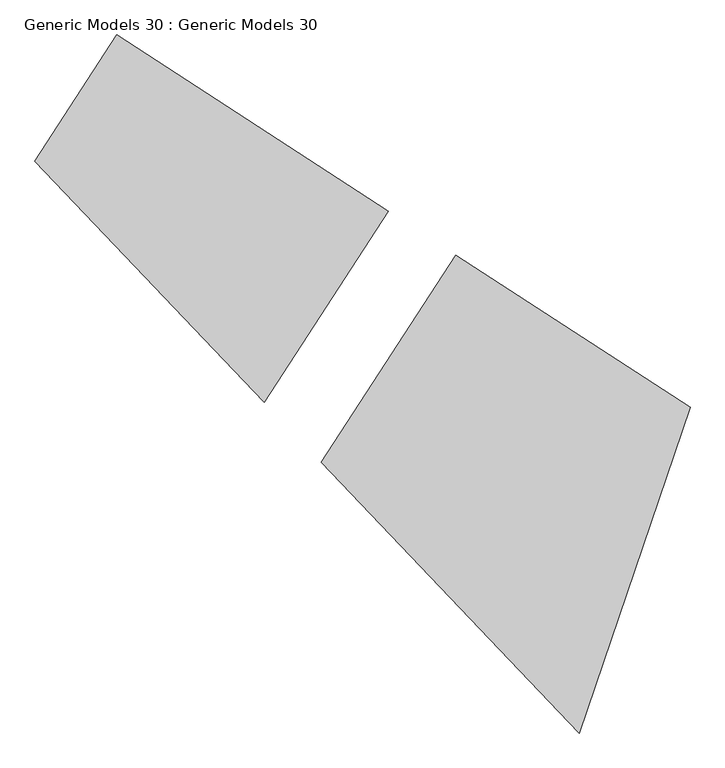
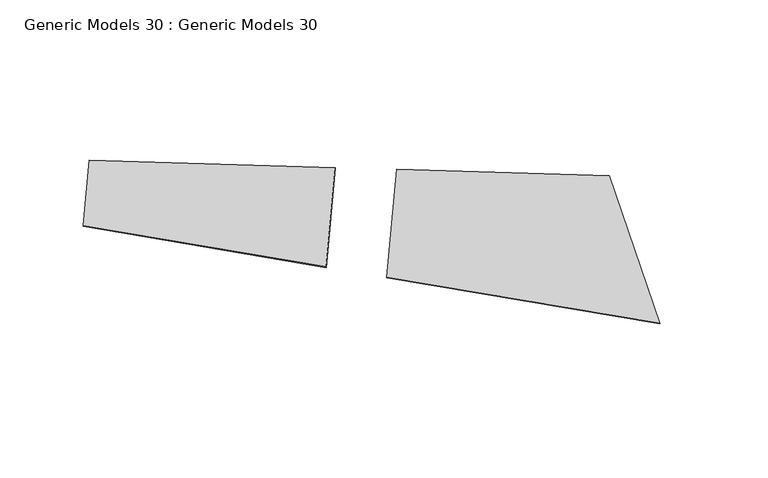
"""IFC4 building model written with IfcOpenShell, lengths in millimetres: proxy geometry, Generic Models 30 : Generic Models 30."""

from ifc_helpers import new_model, si_unit, frame, origin, place, context, project, spatial, polyline, outline, extrude, source, transform, mapped, element, save


def generic_models_30_generic_models_30_8e2f2d31(model_context):
    return source(origin(), model_context, "Body", "SweptSolid", [
        extrude(outline(polyline([(-225743.8938042, 51423.7051654), (-221656.6357187, 57711.4897952), (-208138.9512258, 48924.5690445), (-214316.0655425, 39415.8725423), (-225743.8938042, 51423.7051654)])), frame((0.0, 0.0, 4680.0), z_axis=(0.0, 0.0, 1.0), x_axis=(1.0, 0.0, 0.0)), (0.0, 0.0, 1.0), 50.0),
        extrude(outline(polyline([(-204785.2249014, 46744.5412855), (-193124.3409081, 39164.5993519), (-198642.2383663, 22946.5409261), (-211481.2050324, 36437.1324234), (-204785.2249014, 46744.5412855)])), frame((0.0, 0.0, 4680.0), z_axis=(0.0, 0.0, 1.0), x_axis=(1.0, 0.0, 0.0)), (0.0, 0.0, 1.0), 50.0),
    ])


if __name__ == "__main__":
    model = new_model("IFC4")
    model_context = context("Model", 3, world=origin())
    ifc_project = project(units=[si_unit("LENGTHUNIT", "METRE", prefix="MILLI")], contexts=[model_context])
    site = spatial("IfcSite", under=ifc_project)
    building = spatial("IfcBuilding", under=site)
    placement = place(None, origin())
    generic_models_30_generic_models_30_shape = generic_models_30_generic_models_30_8e2f2d31(model_context)
    element("IfcBuildingElementProxy", 1, Name="Generic Models 30 : Generic Models 30", ObjectType="Generic Models 30 : Generic Models 30", at=placement, inside=building, context=model_context, shape_type="MappedRepresentation", body=[
        mapped(generic_models_30_generic_models_30_shape, transform((0.0, 0.0, 0.0), x_axis=(1.0, 0.0, 0.0), y_axis=(0.0, 1.0, 0.0), z_axis=(0.0, 0.0, 1.0))),
    ])
    save(model, "model.ifc")
